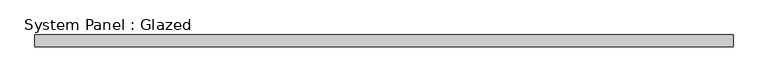
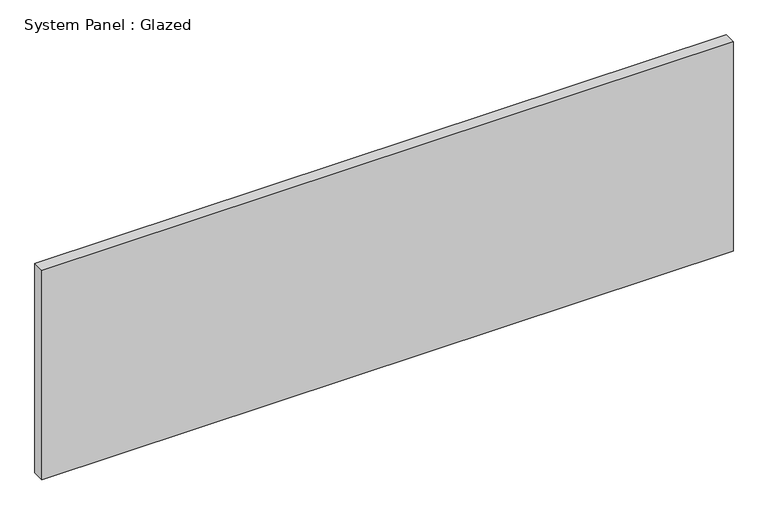
"""IFC4 building model written with IfcOpenShell, lengths in millimetres: plate geometry, System Panel : Glazed."""

from ifc_helpers import new_model, si_unit, origin, origin_with_axes, place, context, project, spatial, polyline, outline, extrude, source, transform, mapped, element, save


def system_panel_glazed_cb737762(model_context):
    return source(origin(), model_context, "Body", "SweptSolid", [
        extrude(outline(polyline([(733.425, -12.7), (-733.425, -12.7), (-733.425, 12.7), (733.425, 12.7), (733.425, -12.7)])), origin_with_axes(), (0.0, 0.0, 1.0), 469.9),
    ])


if __name__ == "__main__":
    model = new_model("IFC4")
    model_context = context("Model", 3, world=origin())
    ifc_project = project(units=[si_unit("LENGTHUNIT", "METRE", prefix="MILLI")], contexts=[model_context])
    site = spatial("IfcSite", under=ifc_project)
    building = spatial("IfcBuilding", under=site)
    placement = place(None, origin())
    system_panel_glazed_shape = system_panel_glazed_cb737762(model_context)
    element("IfcPlate", 1, ObjectType="System Panel : Glazed", at=placement, inside=building, context=model_context, shape_type="MappedRepresentation", body=[
        mapped(system_panel_glazed_shape, transform((0.0, 0.0, 0.0), x_axis=(1.0, 0.0, 0.0), y_axis=(0.0, 1.0, 0.0), z_axis=(0.0, 0.0, 1.0))),
    ])
    save(model, "model.ifc")
